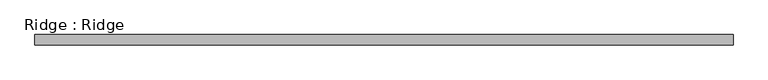
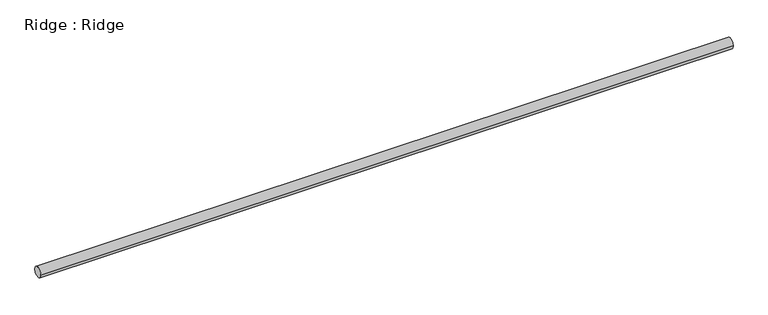
"""IFC4 building model written with IfcOpenShell, lengths in millimetres: beam geometry, Ridge : Ridge."""

from ifc_helpers import new_model, si_unit, point, frame, origin, origin_2d, place, context, project, spatial, circle_curve, trimmed, segment, composite_curve, outline, extrude, source, transform, mapped, element, save


def ridge_ridge_8b6f6c8b(model_context):
    return source(origin(), model_context, "Body", "SweptSolid", [
        extrude(outline(composite_curve([segment(trimmed(circle_curve(origin_2d(), 38.1), [point((38.1, 0.0))], [point((-38.1, 0.0))], False, "CARTESIAN"), True, "CONTINUOUS"), segment(trimmed(circle_curve(origin_2d(), 38.1), [point((-38.1, 0.0))], [point((38.1, 0.0))], False, "CARTESIAN"), True, "CONTINUOUS")], self_intersect=False)), frame((-2514.6, 0.0, 0.0), z_axis=(1.0, 0.0, 0.0), x_axis=(0.0, 1.0, 0.0)), (0.0, 0.0, 1.0), 5029.2),
    ])


if __name__ == "__main__":
    model = new_model("IFC4")
    model_context = context("Model", 3, world=origin())
    ifc_project = project(units=[si_unit("LENGTHUNIT", "METRE", prefix="MILLI")], contexts=[model_context])
    site = spatial("IfcSite", under=ifc_project)
    building = spatial("IfcBuilding", under=site)
    placement = place(None, origin())
    ridge_ridge_shape = ridge_ridge_8b6f6c8b(model_context)
    element("IfcBeam", 1, ObjectType="Ridge : Ridge", at=placement, inside=building, context=model_context, shape_type="MappedRepresentation", body=[
        mapped(ridge_ridge_shape, transform((0.0, 0.0, 0.0), x_axis=(1.0, 0.0, 0.0), y_axis=(0.0, 1.0, 0.0), z_axis=(0.0, 0.0, 1.0))),
    ])
    save(model, "model.ifc")
